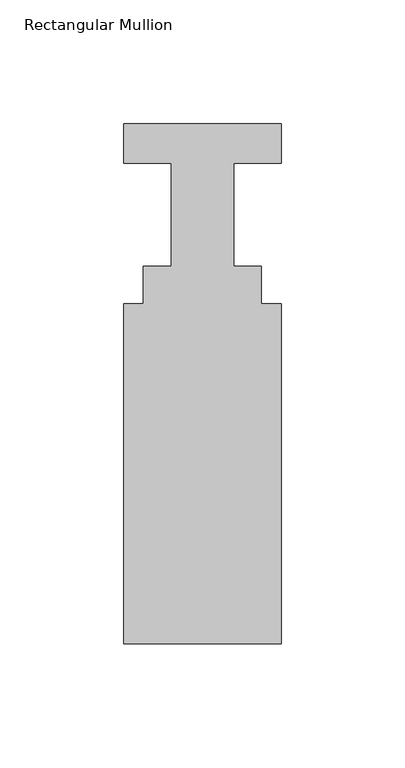
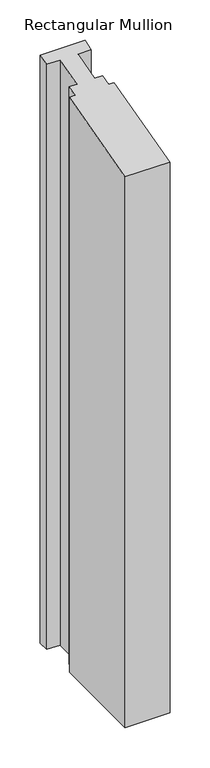
"""IFC4 building model written with IfcOpenShell, lengths in millimetres: member geometry, Rectangular Mullion."""

from ifc_helpers import new_model, si_unit, origin, place, context, project, spatial, faceted_brep, source, transform, mapped, element, save


def rectangular_mullion_237411da(model_context):
    return source(origin(), model_context, "Body", "Brep", [
        faceted_brep([(31.75, 4.8617187, -880.7474361), (12.7, 4.8617187, -880.7474361), (12.7, -36.7942813, -880.7474361), (23.8252, -36.7942813, -880.7474361), (23.8252, -51.8564813, -880.7474361), (31.75, -51.8564813, -880.7474361), (31.75, -189.1942813, -880.7474361), (-31.75, -189.1942813, -880.7474361), (-31.75, -51.8564813, -880.7474361), (-23.8252, -51.8564813, -880.7474361), (-23.8252, -36.7942813, -880.7474361), (-12.7, -36.7942813, -880.7474361), (-12.7, 4.8617187, -880.7474361), (-31.75, 4.8617187, -880.7474361), (-31.75, 20.7367187, -880.7474361), (31.75, 20.7367187, -880.7474361), (31.75, 20.7367187, 5.556387), (31.75, 4.8617187, 1.3026936), (-31.75, 20.7367187, 5.556387), (-31.75, 4.8617187, 1.3026936), (-12.7, 4.8617187, 1.3026936), (-12.7, -36.7942813, -9.8589979), (-23.8252, -36.7942813, -9.8589979), (-23.8252, -51.8564813, -13.8949023), (-31.75, -51.8564813, -13.8949023), (-31.75, -189.1942813, -50.6944549), (31.75, -189.1942813, -50.6944549), (31.75, -51.8564813, -13.8949023), (23.8252, -51.8564813, -13.8949023), (23.8252, -36.7942813, -9.8589979), (12.7, -36.7942813, -9.8589979), (12.7, 4.8617187, 1.3026936)], [[[0, 1, 2, 3, 4, 5, 6, 7, 8, 9, 10, 11, 12, 13, 14, 15]], [[16, 17, 0, 15]], [[18, 16, 15, 14]], [[19, 18, 14, 13]], [[20, 19, 13, 12]], [[21, 20, 12, 11]], [[22, 21, 11, 10]], [[23, 22, 10, 9]], [[24, 23, 9, 8]], [[25, 24, 8, 7]], [[26, 25, 7, 6]], [[27, 26, 6, 5]], [[28, 27, 5, 4]], [[29, 28, 4, 3]], [[30, 29, 3, 2]], [[31, 30, 2, 1]], [[17, 31, 1, 0]], [[17, 16, 18, 19, 20, 21, 22, 23, 24, 25, 26, 27, 28, 29, 30, 31]]]),
    ])


if __name__ == "__main__":
    model = new_model("IFC4")
    model_context = context("Model", 3, world=origin())
    ifc_project = project(units=[si_unit("LENGTHUNIT", "METRE", prefix="MILLI")], contexts=[model_context])
    site = spatial("IfcSite", under=ifc_project)
    building = spatial("IfcBuilding", under=site)
    placement = place(None, origin())
    rectangular_mullion_shape = rectangular_mullion_237411da(model_context)
    element("IfcMember", 1, ObjectType="Rectangular Mullion", at=placement, inside=building, context=model_context, shape_type="MappedRepresentation", body=[
        mapped(rectangular_mullion_shape, transform((0.0, 0.0, 0.0), x_axis=(1.0, 0.0, 0.0), y_axis=(0.0, 1.0, 0.0), z_axis=(0.0, 0.0, 1.0))),
    ])
    save(model, "model.ifc")
